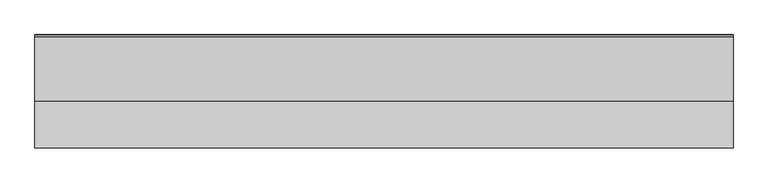
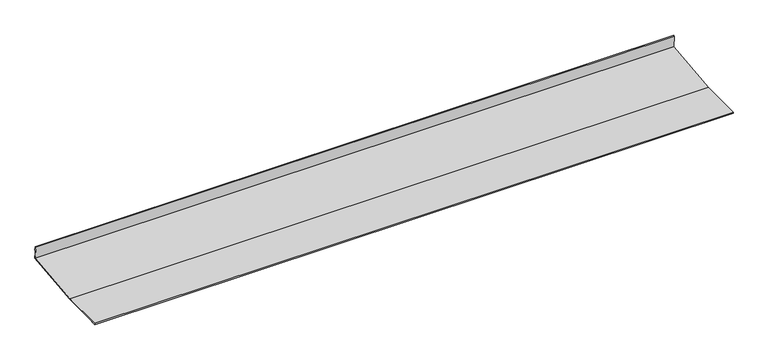
"""IFC4 building model written with IfcOpenShell, lengths in millimetres: proxy geometry."""

import ifcopenshell
import ifcopenshell.guid

model = None  # the IFC model being written
_history = None  # IfcOwnerHistory: only IFC2X3 demands one
_inside = {}  # id of a spatial element -> (the spatial element, [elements in it])
_under = {}  # id of a project, library or spatial element -> (it, [spatial elements below it])
_declared = {}  # id of a project -> (the project, [libraries it declares])
_typed = {}  # id of a type object -> (the type object, [elements of that type])
_made_of = {}  # id of a material, layer set ... -> (it, [elements and type objects made of it])


def new_model(schema):
    """Start an empty IFC model of exactly this schema.

    Asked for "IFC4X3", IfcOpenShell would pick the latest addendum, in which some entities
    have other attributes; the version numbers below select the first issue.
    IFC2X3 requires an IfcOwnerHistory on every rooted entity: one is made here for all.
    """
    global model, _history
    if schema == "IFC4X3":
        model = ifcopenshell.file(schema_version=(4, 3, 0, 0))
    else:
        model = ifcopenshell.file(schema=schema)
    _inside.clear()
    _under.clear()
    _declared.clear()
    _typed.clear()
    _made_of.clear()
    _history = None
    if model.schema == "IFC2X3":
        org = make("IfcOrganization", Name="unknown")
        user = make(
            "IfcPersonAndOrganization",
            ThePerson=make("IfcPerson", FamilyName="unknown"),
            TheOrganization=org,
        )
        app = make(
            "IfcApplication",
            ApplicationDeveloper=org,
            Version="unknown",
            ApplicationFullName="unknown",
            ApplicationIdentifier="unknown",
        )
        _history = make(
            "IfcOwnerHistory",
            OwningUser=user,
            OwningApplication=app,
            ChangeAction="ADDED",
            CreationDate=0,
        )
    return model


def make(cls, **values):
    """One entity of the class cls with the attributes given. An attribute that is None is left unset."""
    return model.create_entity(
        cls, **{name: value for name, value in values.items() if value is not None}
    )


def rooted(cls, **values):
    """An entity with a GlobalId (a new one), such as an element, a storey or a relation."""
    return make(cls, GlobalId=ifcopenshell.guid.new(), OwnerHistory=_history, **values)


def si_unit(unit_type, name, prefix=None):
    """IfcSIUnit, for example si_unit("LENGTHUNIT", "METRE", prefix="MILLI")."""
    return make("IfcSIUnit", UnitType=unit_type, Prefix=prefix, Name=name)


def assignment(units):
    """IfcUnitAssignment: the units of a project."""
    return None if units is None else make("IfcUnitAssignment", Units=units)


def point(xyz):
    """IfcCartesianPoint."""
    return None if xyz is None else make("IfcCartesianPoint", Coordinates=xyz)


def direction(xyz):
    """IfcDirection."""
    return None if xyz is None else make("IfcDirection", DirectionRatios=xyz)


def frame(location, z_axis=None, x_axis=None):
    """IfcAxis2Placement3D, a coordinate frame: its origin and axes. An axis left out is left unset."""
    return make(
        "IfcAxis2Placement3D",
        Location=point(location),
        Axis=direction(z_axis),
        RefDirection=direction(x_axis),
    )


def origin():
    """The frame at (0, 0, 0) with its axes left unset."""
    return frame((0.0, 0.0, 0.0))


def place(relative_to, where):
    """IfcLocalPlacement: puts the frame where relative to a parent placement (None: the world)."""
    return make(
        "IfcLocalPlacement", PlacementRelTo=relative_to, RelativePlacement=where
    )


def context(
    kind, dimensions, precision=None, world=None, true_north=None, identifier=None
):
    """IfcGeometricRepresentationContext, for example the 3D "Model" context."""
    return make(
        "IfcGeometricRepresentationContext",
        ContextIdentifier=identifier,
        ContextType=kind,
        CoordinateSpaceDimension=dimensions,
        Precision=precision,
        WorldCoordinateSystem=world,
        TrueNorth=true_north,
    )


def project(units=None, contexts=None):
    """IfcProject with its units and contexts."""
    return rooted(
        "IfcProject",
        Name="project",
        RepresentationContexts=contexts,
        UnitsInContext=assignment(units),
    )


def spatial(cls, under=None, at=None, **own):
    """A site, building, storey or space (cls), placed at a placement, below another one or the project."""
    s = rooted(cls, ObjectPlacement=at, **own)
    if under is not None:
        _under.setdefault(under.id(), (under, []))[1].append(s)
    return s


def polyline(points):
    """IfcPolyline through the points."""
    return make("IfcPolyline", Points=[point(p) for p in points])


def outline(outer, holes=None, kind="AREA"):
    """IfcArbitraryClosedProfileDef: a profile drawn as a closed curve; with holes, ...WithVoids."""
    if holes is None:
        return make("IfcArbitraryClosedProfileDef", ProfileType=kind, OuterCurve=outer)
    return make(
        "IfcArbitraryProfileDefWithVoids",
        ProfileType=kind,
        OuterCurve=outer,
        InnerCurves=holes,
    )


def extrude(swept, where, along, depth):
    """IfcExtrudedAreaSolid: the profile swept, set in the frame where, extruded along a direction by depth."""
    return make(
        "IfcExtrudedAreaSolid",
        SweptArea=swept,
        Position=where,
        ExtrudedDirection=direction(along),
        Depth=depth,
    )


def shape(context_of_items, identifier, shape_type, items):
    """IfcShapeRepresentation: the items that make up one representation, for example the "Body"."""
    return make(
        "IfcShapeRepresentation",
        ContextOfItems=context_of_items,
        RepresentationIdentifier=identifier,
        RepresentationType=shape_type,
        Items=items,
    )


def source(mapping_origin, context_of_items, identifier, shape_type, items):
    """IfcRepresentationMap: a shape defined once, which mapped items show again and again."""
    return make(
        "IfcRepresentationMap",
        MappingOrigin=mapping_origin,
        MappedRepresentation=shape(context_of_items, identifier, shape_type, items),
    )


def transform(
    local_origin,
    x_axis=None,
    y_axis=None,
    z_axis=None,
    scale=None,
    scale2=None,
    scale3=None,
    uniform=True,
):
    """IfcCartesianTransformationOperator3D, or its non-uniform kind. x_axis, y_axis, z_axis: its Axis1, 2, 3."""
    if uniform:
        return make(
            "IfcCartesianTransformationOperator3D",
            Axis1=direction(x_axis),
            Axis2=direction(y_axis),
            LocalOrigin=point(local_origin),
            Scale=scale,
            Axis3=direction(z_axis),
        )
    return make(
        "IfcCartesianTransformationOperator3DnonUniform",
        Axis1=direction(x_axis),
        Axis2=direction(y_axis),
        LocalOrigin=point(local_origin),
        Scale=scale,
        Axis3=direction(z_axis),
        Scale2=scale2,
        Scale3=scale3,
    )


def mapped(mapping_source, mapping_target):
    """IfcMappedItem: shows the shape of a source again, moved by a transform."""
    return make(
        "IfcMappedItem", MappingSource=mapping_source, MappingTarget=mapping_target
    )


def made_of(thing, what):
    """Note that an element or type object is made of a material, layer set ...; save() writes the relation."""
    if what is not None:
        _made_of.setdefault(what.id(), (what, []))[1].append(thing)
    return thing


def element(
    cls,
    number,
    at=None,
    inside=None,
    cuts=None,
    type_object=None,
    material=None,
    context=None,
    identifier="Body",
    shape_type=None,
    held_by="IfcProductDefinitionShape",
    body=None,
    shapes=None,
    **own,
):
    """One element of the class cls, such as IfcWall. Its Tag is "e" and its number.

    at: its placement. inside: the storey or other place that contains it. cuts: it is an
    opening in that element (IfcRelVoidsElement). A single representation is given by context,
    identifier, shape_type and body (its items); several are given by shapes. held_by: the class
    of the entity that holds the representations. save() writes the other relations.
    """
    e = rooted(cls, Tag="e%d" % number, ObjectPlacement=at, **own)
    if body is not None:
        shapes = [shape(context, identifier, shape_type, body)]
    if shapes is not None:
        e.Representation = make(held_by, Representations=shapes)
    if inside is not None:
        _inside.setdefault(inside.id(), (inside, []))[1].append(e)
    if cuts is not None:
        rooted(
            "IfcRelVoidsElement", RelatingBuildingElement=cuts, RelatedOpeningElement=e
        )
    if type_object is not None:
        _typed.setdefault(type_object.id(), (type_object, []))[1].append(e)
    return made_of(e, material)


def aggregate(whole, parts):
    """IfcRelAggregates: a whole, such as a stair, and the parts it consists of."""
    return rooted("IfcRelAggregates", RelatingObject=whole, RelatedObjects=parts)


def save(model, path):
    """Write the relations noted so far, then the file.

    IfcRelAggregates (storeys below a building ...), IfcRelContainedInSpatialStructure (elements
    in a storey), IfcRelDefinesByType, IfcRelAssociatesMaterial and IfcRelDeclares: one each for
    every whole, place, type object, material and project.
    """
    for whole, parts in _under.values():
        aggregate(whole, parts)
    for where, things in _inside.values():
        rooted(
            "IfcRelContainedInSpatialStructure",
            RelatedElements=things,
            RelatingStructure=where,
        )
    for kind, things in _typed.values():
        rooted("IfcRelDefinesByType", RelatedObjects=things, RelatingType=kind)
    for what, things in _made_of.values():
        rooted("IfcRelAssociatesMaterial", RelatedObjects=things, RelatingMaterial=what)
    for by, libraries in _declared.values():
        rooted("IfcRelDeclares", RelatingContext=by, RelatedDefinitions=libraries)
    model.write(path)


def generic_models_018cbd10(model_context):
    return source(origin(), model_context, "Body", "SweptSolid", [
        extrude(outline(polyline([(-79.6143794, 3.0), (-79.6143794, 2.0), (-69.6143794, 2.0), (-69.6143794, 1.0), (-80.6143794, 1.0), (-80.6143794, 4.0), (20.3332128, 4.0), (161.5553219, 18.8430418), (158.5239965, 47.6841767), (161.5075622, 47.9977621), (162.5528468, 38.0525432), (161.5583249, 37.9480147), (160.6175688, 46.8987118), (159.6230469, 46.7941833), (162.6543723, 17.9530484), (20.3856206, 3.0), (-79.6143794, 3.0)])), frame((0.0, 0.0, 0.0), z_axis=(1.0, 0.0, 0.0), x_axis=(0.0, 1.0, 0.0)), (0.0, 0.0, 1.0), 1500.0),
    ])


if __name__ == "__main__":
    model = new_model("IFC4")
    model_context = context("Model", 3, world=origin())
    ifc_project = project(units=[si_unit("LENGTHUNIT", "METRE", prefix="MILLI")], contexts=[model_context])
    site = spatial("IfcSite", under=ifc_project)
    building = spatial("IfcBuilding", under=site)
    placement = place(None, origin())
    generic_models_shape = generic_models_018cbd10(model_context)
    element("IfcBuildingElementProxy", 1, Name="Generic Models", at=placement, inside=building, context=model_context, shape_type="MappedRepresentation", body=[
        mapped(generic_models_shape, transform((0.0, 0.0, 0.0), x_axis=(1.0, 0.0, 0.0), y_axis=(0.0, 1.0, 0.0), z_axis=(0.0, 0.0, 1.0))),
    ])
    save(model, "model.ifc")
